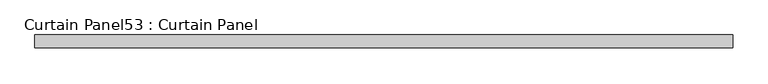
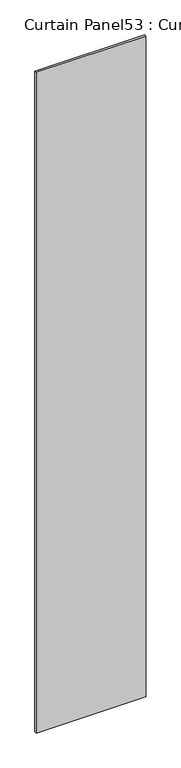
"""IFC4 building model written with IfcOpenShell, lengths in millimetres: plate geometry, Curtain Panel53 : Curtain Panel."""

from ifc_helpers import new_model, si_unit, frame, origin, place, context, project, spatial, polyline, outline, extrude, source, transform, mapped, element, save


def curtain_panel53_curtain_panel_473a4fe7(model_context):
    return source(origin(), model_context, "Body", "SweptSolid", [
        extrude(outline(polyline([(56302.1304088, 1638.5760947), (54945.7849396, 1638.5760947), (54945.7849396, 1663.9760947), (56302.1304088, 1663.9760947), (56302.1304088, 1638.5760947)])), frame((0.0, 0.0, 28084.9602018), z_axis=(0.0, 0.0, 1.0), x_axis=(1.0, 0.0, 0.0)), (0.0, 0.0, 1.0), 8635.0685723),
    ])


if __name__ == "__main__":
    model = new_model("IFC4")
    model_context = context("Model", 3, world=origin())
    ifc_project = project(units=[si_unit("LENGTHUNIT", "METRE", prefix="MILLI")], contexts=[model_context])
    site = spatial("IfcSite", under=ifc_project)
    building = spatial("IfcBuilding", under=site)
    placement = place(None, origin())
    curtain_panel53_curtain_panel_shape = curtain_panel53_curtain_panel_473a4fe7(model_context)
    element("IfcPlate", 1, ObjectType="Curtain Panel53 : Curtain Panel", at=placement, inside=building, context=model_context, shape_type="MappedRepresentation", body=[
        mapped(curtain_panel53_curtain_panel_shape, transform((0.0, 0.0, 0.0), x_axis=(1.0, 0.0, 0.0), y_axis=(0.0, 1.0, 0.0), z_axis=(0.0, 0.0, 1.0))),
    ])
    save(model, "model.ifc")
